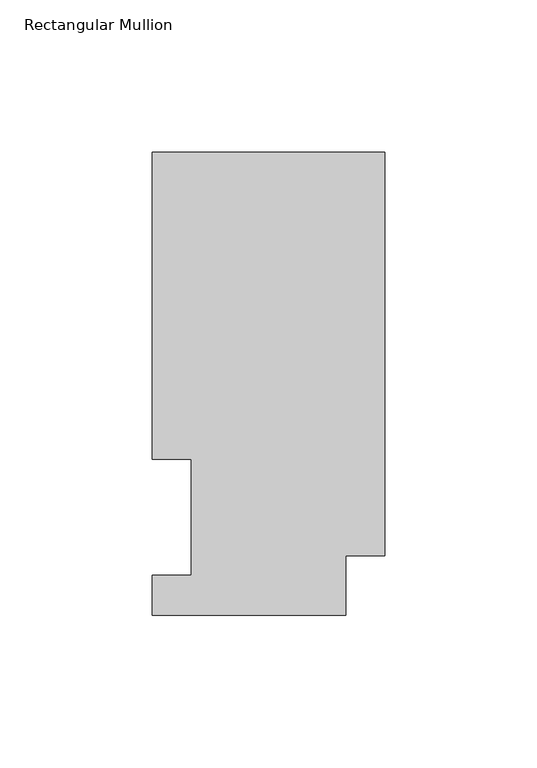
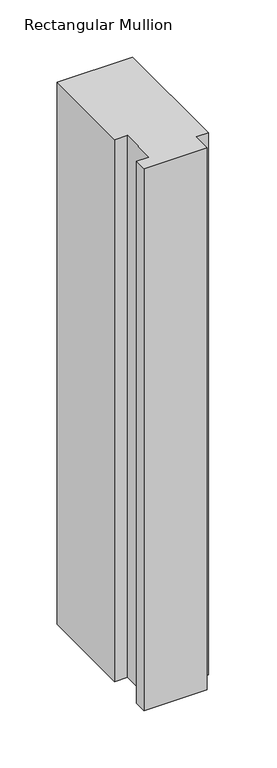
"""IFC4 building model written with IfcOpenShell, lengths in millimetres: member geometry, Rectangular Mullion."""

from ifc_helpers import new_model, si_unit, frame, origin, place, context, project, spatial, polyline, outline, extrude, source, transform, mapped, element, save


def rectangular_mullion_a6dec513(model_context):
    return source(origin(), model_context, "Body", "SweptSolid", [
        extrude(outline(polyline([(-76.2, 190.2801312), (0.0, 190.2801312), (0.0, 57.8445312), (-12.7, 57.8445312), (-12.7, 38.3119312), (-76.2, 38.3119312), (-76.2, 51.4945312), (-63.4943324, 51.4945312), (-63.4943324, 89.5945312), (-76.2, 89.5945313), (-76.2, 190.2801312)])), frame((0.0, 0.0, -577.85), z_axis=(0.0, 0.0, 1.0), x_axis=(1.0, 0.0, 0.0)), (0.0, 0.0, 1.0), 577.85),
    ])


if __name__ == "__main__":
    model = new_model("IFC4")
    model_context = context("Model", 3, world=origin())
    ifc_project = project(units=[si_unit("LENGTHUNIT", "METRE", prefix="MILLI")], contexts=[model_context])
    site = spatial("IfcSite", under=ifc_project)
    building = spatial("IfcBuilding", under=site)
    placement = place(None, origin())
    rectangular_mullion_shape = rectangular_mullion_a6dec513(model_context)
    element("IfcMember", 1, ObjectType="Rectangular Mullion", at=placement, inside=building, context=model_context, shape_type="MappedRepresentation", body=[
        mapped(rectangular_mullion_shape, transform((0.0, 0.0, 0.0), x_axis=(1.0, 0.0, 0.0), y_axis=(0.0, 1.0, 0.0), z_axis=(0.0, 0.0, 1.0))),
    ])
    save(model, "model.ifc")
